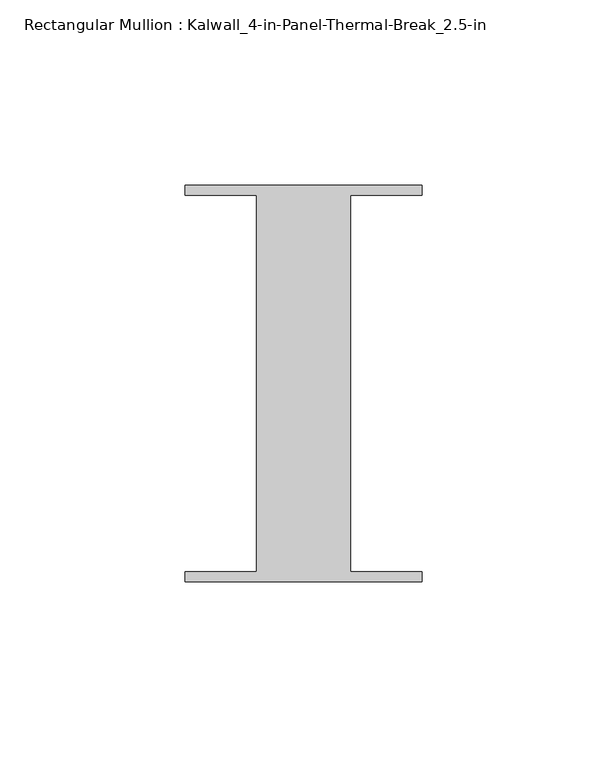
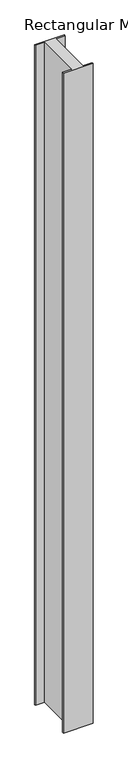
"""IFC4 building model written with IfcOpenShell, lengths in millimetres: member geometry, Rectangular Mullion : Kalwall_4-in-Panel-Thermal-Break_2.5-in."""

from ifc_helpers import new_model, si_unit, frame, origin, place, context, project, spatial, polyline, outline, extrude, source, transform, mapped, element, save


def rectangular_mullion_kalwall_4_in_panel_thermal_break_2_5_in_5190b0c6(model_context):
    return source(origin(), model_context, "Body", "SweptSolid", [
        extrude(outline(polyline([(-32.0, 53.594), (32.0, 53.594), (32.0, 50.8), (12.7, 50.8), (12.7, -50.8), (32.0, -50.8), (32.0, -53.594), (-32.0, -53.594), (-32.0, -50.8), (-12.7, -50.8), (-12.7, 50.8), (-32.0, 50.8), (-32.0, 53.594)])), frame((0.0, 0.0, -1508.1250003), z_axis=(0.0, 0.0, 1.0), x_axis=(1.0, 0.0, 0.0)), (0.0, 0.0, 1.0), 1508.1250003),
    ])


if __name__ == "__main__":
    model = new_model("IFC4")
    model_context = context("Model", 3, world=origin())
    ifc_project = project(units=[si_unit("LENGTHUNIT", "METRE", prefix="MILLI")], contexts=[model_context])
    site = spatial("IfcSite", under=ifc_project)
    building = spatial("IfcBuilding", under=site)
    placement = place(None, origin())
    rectangular_mullion_kalwall_4_in_panel_thermal_break_2_5_in_shape = rectangular_mullion_kalwall_4_in_panel_thermal_break_2_5_in_5190b0c6(model_context)
    element("IfcMember", 1, ObjectType="Rectangular Mullion : Kalwall_4-in-Panel-Thermal-Break_2.5-in", at=placement, inside=building, context=model_context, shape_type="MappedRepresentation", body=[
        mapped(rectangular_mullion_kalwall_4_in_panel_thermal_break_2_5_in_shape, transform((0.0, 0.0, 0.0), x_axis=(1.0, 0.0, 0.0), y_axis=(0.0, 1.0, 0.0), z_axis=(0.0, 0.0, 1.0))),
    ])
    save(model, "model.ifc")
